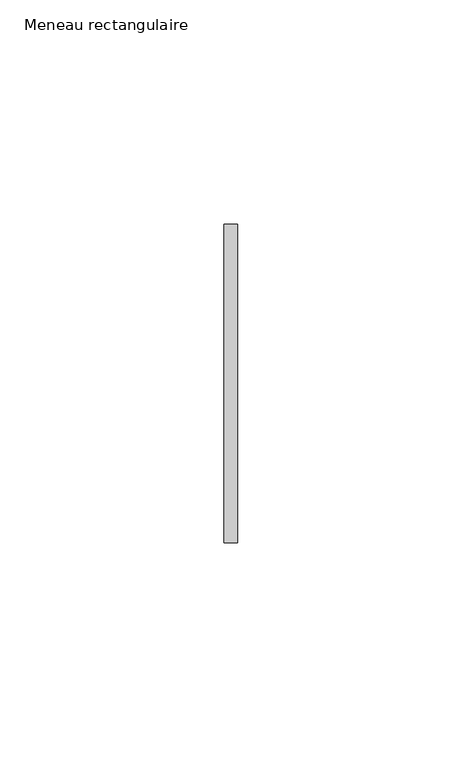
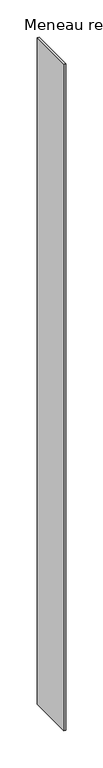
"""IFC4 building model written with IfcOpenShell, lengths in millimetres: member geometry, Meneau rectangulaire."""

from ifc_helpers import new_model, si_unit, frame, origin, place, context, project, spatial, polyline, outline, extrude, source, transform, mapped, element, save


def meneau_rectangulaire_855f9148(model_context):
    return source(origin(), model_context, "Body", "SweptSolid", [
        extrude(outline(polyline([(-1.5, 35.5), (1.5, 35.5), (1.5, -35.5), (-1.5, -35.5), (-1.5, 35.5)])), frame((0.0, 0.0, -1092.7500002), z_axis=(0.0, 0.0, 1.0), x_axis=(1.0, 0.0, 0.0)), (0.0, 0.0, 1.0), 1092.7500002),
    ])


if __name__ == "__main__":
    model = new_model("IFC4")
    model_context = context("Model", 3, world=origin())
    ifc_project = project(units=[si_unit("LENGTHUNIT", "METRE", prefix="MILLI")], contexts=[model_context])
    site = spatial("IfcSite", under=ifc_project)
    building = spatial("IfcBuilding", under=site)
    placement = place(None, origin())
    meneau_rectangulaire_shape = meneau_rectangulaire_855f9148(model_context)
    element("IfcMember", 1, ObjectType="Meneau rectangulaire", at=placement, inside=building, context=model_context, shape_type="MappedRepresentation", body=[
        mapped(meneau_rectangulaire_shape, transform((0.0, 0.0, 0.0), x_axis=(1.0, 0.0, 0.0), y_axis=(0.0, 1.0, 0.0), z_axis=(0.0, 0.0, 1.0))),
    ])
    save(model, "model.ifc")
